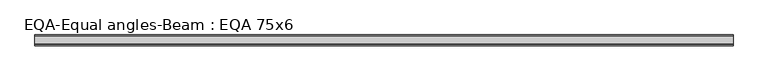
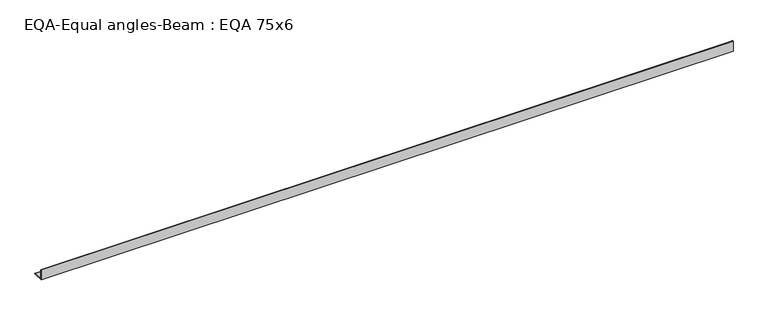
"""IFC4 building model written with IfcOpenShell, lengths in millimetres: beam geometry, EQA-Equal angles-Beam : EQA 75x6."""

from ifc_helpers import new_model, si_unit, point, frame, frame_2d, origin, place, context, project, spatial, polyline, circle_curve, trimmed, segment, composite_curve, outline, extrude, source, transform, mapped, element, save


def eqa_equal_angles_beam_eqa_75x6_abddcb8d(model_context):
    return source(origin(), model_context, "Body", "SweptSolid", [
        extrude(outline(composite_curve([segment(polyline([(-20.5, -20.5), (-20.5, 54.5), (-19.0, 54.5)]), True, "CONTINUOUS"), segment(trimmed(circle_curve(frame_2d((-19.0, 50.0)), 4.5), [point((-19.0, 54.5))], [point((-14.5, 50.0))], False, "CARTESIAN"), True, "CONTINUOUS"), segment(polyline([(-14.5, 50.0), (-14.5, -5.5)]), True, "CONTINUOUS"), segment(trimmed(circle_curve(frame_2d((-5.5, -5.5)), 9.0), [point((-14.5, -5.5))], [point((-5.5, -14.5))], True, "CARTESIAN"), True, "CONTINUOUS"), segment(polyline([(-5.5, -14.5), (50.0, -14.5)]), True, "CONTINUOUS"), segment(trimmed(circle_curve(frame_2d((50.0, -19.0)), 4.5), [point((50.0, -14.5))], [point((54.5, -19.0))], False, "CARTESIAN"), True, "CONTINUOUS"), segment(polyline([(54.5, -19.0), (54.5, -20.5), (-20.5, -20.5)]), True, "CONTINUOUS")], self_intersect=False)), frame((-2441.4367361, 0.0, 0.0), z_axis=(1.0, 0.0, 0.0), x_axis=(0.0, 1.0, 0.0)), (0.0, 0.0, 1.0), 4823.1654844),
    ])


if __name__ == "__main__":
    model = new_model("IFC4")
    model_context = context("Model", 3, world=origin())
    ifc_project = project(units=[si_unit("LENGTHUNIT", "METRE", prefix="MILLI")], contexts=[model_context])
    site = spatial("IfcSite", under=ifc_project)
    building = spatial("IfcBuilding", under=site)
    placement = place(None, origin())
    eqa_equal_angles_beam_eqa_75x6_shape = eqa_equal_angles_beam_eqa_75x6_abddcb8d(model_context)
    element("IfcBeam", 1, ObjectType="EQA-Equal angles-Beam : EQA 75x6", at=placement, inside=building, context=model_context, shape_type="MappedRepresentation", body=[
        mapped(eqa_equal_angles_beam_eqa_75x6_shape, transform((0.0, 0.0, 0.0), x_axis=(1.0, 0.0, 0.0), y_axis=(0.0, 1.0, 0.0), z_axis=(0.0, 0.0, 1.0))),
    ])
    save(model, "model.ifc")
